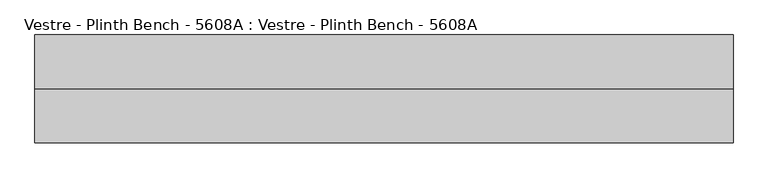
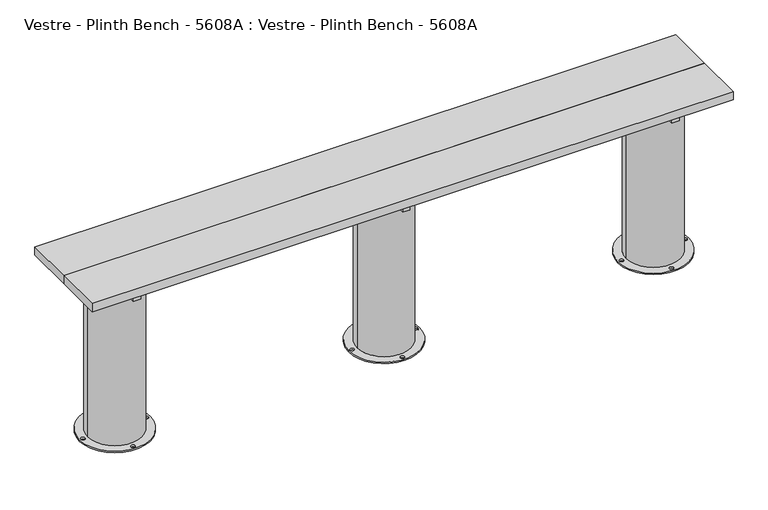
"""IFC4 building model written with IfcOpenShell, lengths in millimetres: furniture geometry, Vestre - Plinth Bench - 5608A : Vestre - Plinth Bench - 5608A."""

from ifc_helpers import new_model, si_unit, frame, origin, place, context, project, spatial, polyline, circle_curve, outline, extrude, source, transform, mapped, element, save
from ifc_brep_helpers import plane_surface, cylinder_surface, revolved_surface, advanced_brep


def vestre_plinth_bench_5608a_vestre_plinth_bench_5608a_dd21d8d7(model_context):
    return source(origin(), model_context, "Body", "SolidModel", [
        extrude(outline(polyline([(1310.5005464, -17.4998463), (1310.5005464, -219.9999989), (-1310.5005464, -219.9999989), (-1310.5005464, -17.4998463), (1310.5005464, -17.4998463)])), frame((0.0, 0.0, 704.9999847), z_axis=(0.0, 0.0, 1.0), x_axis=(1.0, 0.0, 0.0)), (0.0, 0.0, 1.0), 35.0000153),
        extrude(outline(polyline([(-1085.9800473, -378.0001515), (-1115.9983608, -378.0001515), (-1115.9983608, -62.0001515), (-1085.9800473, -62.0001515), (-1085.9800473, -378.0001515)])), frame((0.0, 0.0, 654.9999847), z_axis=(0.0, 0.0, 1.0), x_axis=(1.0, 0.0, 0.0)), (0.0, 0.0, 1.0), 50.0),
        extrude(outline(polyline([(1116.0204991, -378.0001515), (1086.0021856, -378.0001515), (1086.0021856, -62.0001515), (1116.0204991, -62.0001515), (1116.0204991, -378.0001515)])), frame((0.0, 0.0, 654.9999847), z_axis=(0.0, 0.0, 1.0), x_axis=(1.0, 0.0, 0.0)), (0.0, 0.0, 1.0), 50.0),
        extrude(outline(polyline([(15.0204991, -378.0001515), (-14.9978144, -378.0001515), (-14.9978144, -62.0001515), (15.0204991, -62.0001515), (15.0204991, -378.0001515)])), frame((0.0, 0.0, 654.9999847), z_axis=(0.0, 0.0, 1.0), x_axis=(1.0, 0.0, 0.0)), (0.0, 0.0, 1.0), 50.0),
        extrude(outline(polyline([(1089.0011479, -202.4998463), (1089.0011479, -237.5001515), (-1089.0005464, -237.5001515), (-1089.0005464, -202.4998463), (1089.0011479, -202.4998463)])), frame((0.0, 0.0, 564.9999847), z_axis=(0.0, 0.0, 1.0), x_axis=(1.0, 0.0, 0.0)), (0.0, 0.0, 1.0), 90.0),
        extrude(outline(polyline([(1310.5005464, -219.9999989), (1310.5005464, -422.5001515), (-1310.5005464, -422.5001515), (-1310.5005464, -219.9999989), (1310.5005464, -219.9999989)])), frame((0.0, 0.0, 704.9999847), z_axis=(0.0, 0.0, 1.0), x_axis=(1.0, 0.0, 0.0)), (0.0, 0.0, 1.0), 35.0000153),
        advanced_brep(
        [(992.8249813, -237.5001515, 654.9999847), (1210.5868599, -219.9999989, 654.9999847), (992.8250143, -202.4996428, 654.9999847), (1089.0011479, -202.4996428, 654.9999847), (1089.0011479, -237.5001515, 654.9999847), (956.4726273, -219.9999989, 0.0), (1245.5328368, -219.9999989, 0.0), (963.0010928, -219.9999989, 0.0), (979.0010928, -219.9999989, 0.0), (1093.0010928, -90.0001458, 0.0), (1109.0010928, -90.0001458, 0.0), (1239.0043713, -219.9999989, 0.0), (1223.0043713, -219.9999989, 0.0), (1093.0010928, -349.9998521, 0.0), (1109.0010928, -349.9998521, 0.0), (1210.5868599, -219.9999989, 5.8600001), (992.8249813, -237.5001515, 564.9999847), (991.4186041, -219.9999989, 564.9999847), (991.4186041, -219.9999989, 5.8600001), (992.8250143, -202.4996428, 564.9999847), (956.4726273, -219.9999989, 5.8600001), (1245.5328368, -219.9999989, 5.8600001), (963.0010928, -219.9999989, 5.8600001), (979.0010928, -219.9999989, 5.8600001), (1093.0010928, -90.0001458, 5.8600001), (1109.0010928, -90.0001458, 5.8600001), (1239.0043713, -219.9999989, 5.8600001), (1223.0043713, -219.9999989, 5.8600001), (1093.0010928, -349.9998521, 5.8600001), (1109.0010928, -349.9998521, 5.8600001), (1089.0011479, -237.5001515, 564.9999847), (1089.0011479, -202.4996428, 564.9999847)],
        [
            (0, 1, circle_curve(frame((1101.002732, -219.9999989, 654.9999847), z_axis=(0.0, 0.0, 1.0), x_axis=(1.0, 0.0, 0.0)), 109.5841279)),
            (1, 2, circle_curve(frame((1101.002732, -219.9999989, 654.9999847), z_axis=(0.0, 0.0, 1.0), x_axis=(1.0, 0.0, 0.0)), 109.5841279)),
            (2, 3),
            (3, 4),
            (4, 0),
            (5, 6, circle_curve(frame((1101.002732, -219.9999989, 0.0), z_axis=(0.0, 0.0, -1.0), x_axis=(1.0, 0.0, 0.0)), 144.5301047)),
            (6, 5, circle_curve(frame((1101.002732, -219.9999989, 0.0), z_axis=(0.0, 0.0, -1.0), x_axis=(1.0, 0.0, 0.0)), 144.5301047)),
            (7, 8, circle_curve(frame((971.0010928, -219.9999989, 0.0), z_axis=(0.0, 0.0, 1.0), x_axis=(1.0, 0.0, 0.0)), 8.0)),
            (8, 7, circle_curve(frame((971.0010928, -219.9999989, 0.0), z_axis=(0.0, 0.0, 1.0), x_axis=(1.0, 0.0, 0.0)), 8.0)),
            (9, 10, circle_curve(frame((1101.0010928, -90.0001458, 0.0), z_axis=(0.0, 0.0, 1.0), x_axis=(1.0, 0.0, 0.0)), 8.0)),
            (10, 9, circle_curve(frame((1101.0010928, -90.0001458, 0.0), z_axis=(0.0, 0.0, 1.0), x_axis=(1.0, 0.0, 0.0)), 8.0)),
            (11, 12, circle_curve(frame((1231.0043713, -219.9999989, 0.0), z_axis=(0.0, 0.0, 1.0), x_axis=(-1.0, 0.0, 0.0)), 8.0)),
            (12, 11, circle_curve(frame((1231.0043713, -219.9999989, 0.0), z_axis=(0.0, 0.0, 1.0), x_axis=(-1.0, 0.0, 0.0)), 8.0)),
            (13, 14, circle_curve(frame((1101.0010928, -349.9998521, 0.0), z_axis=(0.0, 0.0, 1.0), x_axis=(1.0, 0.0, 0.0)), 8.0)),
            (14, 13, circle_curve(frame((1101.0010928, -349.9998521, 0.0), z_axis=(0.0, 0.0, 1.0), x_axis=(1.0, 0.0, 0.0)), 8.0)),
            (15, 1),
            (0, 16),
            (16, 17, circle_curve(frame((1101.002732, -219.9999989, 564.9999847), z_axis=(0.0, 0.0, -1.0), x_axis=(1.0, 0.0, 0.0)), 109.5841279)),
            (17, 18),
            (18, 15, circle_curve(frame((1101.002732, -219.9999989, 5.8600001), z_axis=(0.0, 0.0, 1.0), x_axis=(1.0, 0.0, 0.0)), 109.5841279)),
            (15, 18, circle_curve(frame((1101.002732, -219.9999989, 5.8600001), z_axis=(0.0, 0.0, 1.0), x_axis=(1.0, 0.0, 0.0)), 109.5841279)),
            (17, 19, circle_curve(frame((1101.002732, -219.9999989, 564.9999847), z_axis=(0.0, 0.0, -1.0), x_axis=(1.0, 0.0, 0.0)), 109.5841279)),
            (19, 2),
            (20, 21, circle_curve(frame((1101.002732, -219.9999989, 5.8600001), z_axis=(0.0, 0.0, 1.0), x_axis=(1.0, 0.0, 0.0)), 144.5301047)),
            (21, 20, circle_curve(frame((1101.002732, -219.9999989, 5.8600001), z_axis=(0.0, 0.0, 1.0), x_axis=(1.0, 0.0, 0.0)), 144.5301047)),
            (22, 23, circle_curve(frame((971.0010928, -219.9999989, 5.8600001), z_axis=(0.0, 0.0, -1.0), x_axis=(1.0, 0.0, 0.0)), 8.0)),
            (23, 22, circle_curve(frame((971.0010928, -219.9999989, 5.8600001), z_axis=(0.0, 0.0, -1.0), x_axis=(1.0, 0.0, 0.0)), 8.0)),
            (24, 25, circle_curve(frame((1101.0010928, -90.0001458, 5.8600001), z_axis=(0.0, 0.0, -1.0), x_axis=(1.0, 0.0, 0.0)), 8.0)),
            (25, 24, circle_curve(frame((1101.0010928, -90.0001458, 5.8600001), z_axis=(0.0, 0.0, -1.0), x_axis=(1.0, 0.0, 0.0)), 8.0)),
            (26, 27, circle_curve(frame((1231.0043713, -219.9999989, 5.8600001), z_axis=(0.0, 0.0, -1.0), x_axis=(-1.0, 0.0, 0.0)), 8.0)),
            (27, 26, circle_curve(frame((1231.0043713, -219.9999989, 5.8600001), z_axis=(0.0, 0.0, -1.0), x_axis=(-1.0, 0.0, 0.0)), 8.0)),
            (28, 29, circle_curve(frame((1101.0010928, -349.9998521, 5.8600001), z_axis=(0.0, 0.0, -1.0), x_axis=(1.0, 0.0, 0.0)), 8.0)),
            (29, 28, circle_curve(frame((1101.0010928, -349.9998521, 5.8600001), z_axis=(0.0, 0.0, -1.0), x_axis=(1.0, 0.0, 0.0)), 8.0)),
            (20, 5),
            (6, 21),
            (22, 7),
            (8, 23),
            (24, 9),
            (10, 25),
            (26, 11),
            (12, 27),
            (28, 13),
            (14, 29),
            (30, 31),
            (31, 19),
            (16, 30),
            (4, 30),
            (3, 31),
        ],
        [
            plane_surface(frame((1210.5868599, -219.9999989, 654.9999847), z_axis=(0.0, 0.0, 1.0), x_axis=(0.0, 1.0, 0.0))),
            plane_surface(frame((1210.5868599, -219.9999989, 0.0), z_axis=(0.0, 0.0, -1.0), x_axis=(0.0, -1.0, 0.0))),
            cylinder_surface(frame((1101.002732, -219.9999989, 0.0), z_axis=(0.0, 0.0, 1.0), x_axis=(1.0, 0.0, 0.0)), 109.5841279),
            plane_surface(frame((1245.5328368, -219.9999989, 5.8600001), z_axis=(0.0, 0.0, 1.0), x_axis=(0.0, 1.0, 0.0))),
            cylinder_surface(frame((1101.002732, -219.9999989, 0.0), z_axis=(0.0, 0.0, 1.0), x_axis=(1.0, 0.0, 0.0)), 144.5301047),
            revolved_surface(polyline([(979.0010928, -219.9999989, 0.0), (979.0010928, -219.9999989, 5.8600001)]), (971.0010928, -219.9999989, 0.0), (0.0, 0.0, -1.0)),
            revolved_surface(polyline([(1109.0010928, -90.0001458, 0.0), (1109.0010928, -90.0001458, 5.8600001)]), (1101.0010928, -90.0001458, 0.0), (0.0, 0.0, -1.0)),
            revolved_surface(polyline([(1223.0043713, -219.9999989, 0.0), (1223.0043713, -219.9999989, 5.8600001)]), (1231.0043713, -219.9999989, 0.0), (0.0, 0.0, -1.0)),
            revolved_surface(polyline([(1109.0010928, -349.9998521, 0.0), (1109.0010928, -349.9998521, 5.8600001)]), (1101.0010928, -349.9998521, 0.0), (0.0, 0.0, -1.0)),
            plane_surface(frame((929.1366784, -202.4996428, 564.9999847), z_axis=(0.0, 0.0, 1.0), x_axis=(0.0, 1.0, 0.0))),
            plane_surface(frame((929.1366784, -237.5001515, 654.9999835), z_axis=(0.0, 1.0, 0.0), x_axis=(0.0, 0.0, -1.0))),
            plane_surface(frame((1089.0011479, -237.5001515, 654.9999835), z_axis=(-1.0, 0.0, 0.0), x_axis=(0.0, 0.0, -1.0))),
            plane_surface(frame((1089.0011479, -202.4996428, 654.9999835), z_axis=(0.0, -1.0, 0.0), x_axis=(0.0, 0.0, -1.0))),
        ],
        [
            (0, [[1, 2, 3, 4, 5]]),
            (1, [[6, 7], [8, 9], [10, 11], [12, 13], [14, 15]]),
            (2, [[16, -1, 17, 18, 19, 20]]),
            (2, [[-16, 21, -19, 22, 23, -2]]),
            (3, [[24, 25], [-20, -21], [26, 27], [28, 29], [30, 31], [32, 33]]),
            (4, [[-24, 34, -7, 35]]),
            (4, [[-25, -35, -6, -34]]),
            (5, [[-26, 36, -9, 37]]),
            (5, [[-27, -37, -8, -36]]),
            (6, [[-28, 38, -11, 39]]),
            (6, [[-29, -39, -10, -38]]),
            (7, [[-30, 40, -13, 41]]),
            (7, [[-31, -41, -12, -40]]),
            (8, [[-32, 42, -15, 43]]),
            (8, [[-33, -43, -14, -42]]),
            (9, [[44, 45, -22, -18, 46]]),
            (10, [[47, -46, -17, -5]]),
            (11, [[-44, -47, -4, 48]]),
            (12, [[-48, -3, -23, -45]]),
        ],
    ),
        advanced_brep(
        [(-108.1750187, -237.5001515, 654.9999847), (108.1804827, -237.5001515, 654.9999847), (108.1804827, -202.4998463, 654.9999847), (-108.1750187, -202.4998463, 654.9999847), (-144.5273727, -219.9999989, 0.0), (144.5328368, -219.9999989, 0.0), (-137.9989072, -219.9999989, 0.0), (-121.9989072, -219.9999989, 0.0), (-7.9989072, -90.0001458, 0.0), (8.0010928, -90.0001458, 0.0), (138.0043713, -219.9999989, 0.0), (122.0043713, -219.9999989, 0.0), (-7.9989072, -349.9998521, 0.0), (8.0010928, -349.9998521, 0.0), (-109.5813959, -219.9999989, 5.8600001), (109.5868599, -219.9999989, 5.8600001), (109.5868599, -219.9999989, 564.9999847), (108.1804827, -237.5001515, 564.9999847), (-108.1750187, -237.5001515, 564.9999847), (-109.5813959, -219.9999989, 564.9999847), (-108.1750187, -202.4998463, 564.9999847), (108.1804827, -202.4998463, 564.9999847), (-144.5273727, -219.9999989, 5.8600001), (144.5328368, -219.9999989, 5.8600001), (-137.9989072, -219.9999989, 5.8600001), (-121.9989072, -219.9999989, 5.8600001), (-7.9989072, -90.0001458, 5.8600001), (8.0010928, -90.0001458, 5.8600001), (138.0043713, -219.9999989, 5.8600001), (122.0043713, -219.9999989, 5.8600001), (-7.9989072, -349.9998521, 5.8600001), (8.0010928, -349.9998521, 5.8600001)],
        [
            (0, 1, circle_curve(frame((0.002732, -219.9999989, 654.9999847), z_axis=(0.0, 0.0, 1.0), x_axis=(1.0, 0.0, 0.0)), 109.5841279)),
            (1, 0),
            (2, 3, circle_curve(frame((0.002732, -219.9999989, 654.9999847), z_axis=(0.0, 0.0, 1.0), x_axis=(1.0, 0.0, 0.0)), 109.5841279)),
            (3, 2),
            (4, 5, circle_curve(frame((0.002732, -219.9999989, 0.0), z_axis=(0.0, 0.0, -1.0), x_axis=(1.0, 0.0, 0.0)), 144.5301047)),
            (5, 4, circle_curve(frame((0.002732, -219.9999989, 0.0), z_axis=(0.0, 0.0, -1.0), x_axis=(1.0, 0.0, 0.0)), 144.5301047)),
            (6, 7, circle_curve(frame((-129.9989072, -219.9999989, 0.0), z_axis=(0.0, 0.0, 1.0), x_axis=(1.0, 0.0, 0.0)), 8.0)),
            (7, 6, circle_curve(frame((-129.9989072, -219.9999989, 0.0), z_axis=(0.0, 0.0, 1.0), x_axis=(1.0, 0.0, 0.0)), 8.0)),
            (8, 9, circle_curve(frame((0.0010928, -90.0001458, 0.0), z_axis=(0.0, 0.0, 1.0), x_axis=(1.0, 0.0, 0.0)), 8.0)),
            (9, 8, circle_curve(frame((0.0010928, -90.0001458, 0.0), z_axis=(0.0, 0.0, 1.0), x_axis=(1.0, 0.0, 0.0)), 8.0)),
            (10, 11, circle_curve(frame((130.0043713, -219.9999989, 0.0), z_axis=(0.0, 0.0, 1.0), x_axis=(-1.0, 0.0, 0.0)), 8.0)),
            (11, 10, circle_curve(frame((130.0043713, -219.9999989, 0.0), z_axis=(0.0, 0.0, 1.0), x_axis=(-1.0, 0.0, 0.0)), 8.0)),
            (12, 13, circle_curve(frame((0.0010928, -349.9998521, 0.0), z_axis=(0.0, 0.0, 1.0), x_axis=(1.0, 0.0, 0.0)), 8.0)),
            (13, 12, circle_curve(frame((0.0010928, -349.9998521, 0.0), z_axis=(0.0, 0.0, 1.0), x_axis=(1.0, 0.0, 0.0)), 8.0)),
            (14, 15, circle_curve(frame((0.002732, -219.9999989, 5.8600001), z_axis=(0.0, 0.0, 1.0), x_axis=(1.0, 0.0, 0.0)), 109.5841279)),
            (15, 16),
            (16, 17, circle_curve(frame((0.002732, -219.9999989, 564.9999847), z_axis=(0.0, 0.0, -1.0), x_axis=(1.0, 0.0, 0.0)), 109.5841279)),
            (17, 1),
            (0, 18),
            (18, 19, circle_curve(frame((0.002732, -219.9999989, 564.9999847), z_axis=(0.0, 0.0, -1.0), x_axis=(1.0, 0.0, 0.0)), 109.5841279)),
            (19, 14),
            (15, 14, circle_curve(frame((0.002732, -219.9999989, 5.8600001), z_axis=(0.0, 0.0, 1.0), x_axis=(1.0, 0.0, 0.0)), 109.5841279)),
            (19, 20, circle_curve(frame((0.002732, -219.9999989, 564.9999847), z_axis=(0.0, 0.0, -1.0), x_axis=(1.0, 0.0, 0.0)), 109.5841279)),
            (20, 3),
            (2, 21),
            (21, 16, circle_curve(frame((0.002732, -219.9999989, 564.9999847), z_axis=(0.0, 0.0, -1.0), x_axis=(1.0, 0.0, 0.0)), 109.5841279)),
            (22, 23, circle_curve(frame((0.002732, -219.9999989, 5.8600001), z_axis=(0.0, 0.0, 1.0), x_axis=(1.0, 0.0, 0.0)), 144.5301047)),
            (23, 22, circle_curve(frame((0.002732, -219.9999989, 5.8600001), z_axis=(0.0, 0.0, 1.0), x_axis=(1.0, 0.0, 0.0)), 144.5301047)),
            (24, 25, circle_curve(frame((-129.9989072, -219.9999989, 5.8600001), z_axis=(0.0, 0.0, -1.0), x_axis=(1.0, 0.0, 0.0)), 8.0)),
            (25, 24, circle_curve(frame((-129.9989072, -219.9999989, 5.8600001), z_axis=(0.0, 0.0, -1.0), x_axis=(1.0, 0.0, 0.0)), 8.0)),
            (26, 27, circle_curve(frame((0.0010928, -90.0001458, 5.8600001), z_axis=(0.0, 0.0, -1.0), x_axis=(1.0, 0.0, 0.0)), 8.0)),
            (27, 26, circle_curve(frame((0.0010928, -90.0001458, 5.8600001), z_axis=(0.0, 0.0, -1.0), x_axis=(1.0, 0.0, 0.0)), 8.0)),
            (28, 29, circle_curve(frame((130.0043713, -219.9999989, 5.8600001), z_axis=(0.0, 0.0, -1.0), x_axis=(-1.0, 0.0, 0.0)), 8.0)),
            (29, 28, circle_curve(frame((130.0043713, -219.9999989, 5.8600001), z_axis=(0.0, 0.0, -1.0), x_axis=(-1.0, 0.0, 0.0)), 8.0)),
            (30, 31, circle_curve(frame((0.0010928, -349.9998521, 5.8600001), z_axis=(0.0, 0.0, -1.0), x_axis=(1.0, 0.0, 0.0)), 8.0)),
            (31, 30, circle_curve(frame((0.0010928, -349.9998521, 5.8600001), z_axis=(0.0, 0.0, -1.0), x_axis=(1.0, 0.0, 0.0)), 8.0)),
            (22, 4),
            (5, 23),
            (24, 6),
            (7, 25),
            (26, 8),
            (9, 27),
            (28, 10),
            (11, 29),
            (30, 12),
            (13, 31),
            (21, 20),
            (18, 17),
        ],
        [
            plane_surface(frame((109.5868599, -219.9999989, 654.9999847), z_axis=(0.0, 0.0, 1.0), x_axis=(0.0, 1.0, 0.0))),
            plane_surface(frame((109.5868599, -219.9999989, 0.0), z_axis=(0.0, 0.0, -1.0), x_axis=(0.0, -1.0, 0.0))),
            cylinder_surface(frame((0.002732, -219.9999989, 0.0), z_axis=(0.0, 0.0, 1.0), x_axis=(1.0, 0.0, 0.0)), 109.5841279),
            plane_surface(frame((144.5328368, -219.9999989, 5.8600001), z_axis=(0.0, 0.0, 1.0), x_axis=(0.0, 1.0, 0.0))),
            cylinder_surface(frame((0.002732, -219.9999989, 0.0), z_axis=(0.0, 0.0, 1.0), x_axis=(1.0, 0.0, 0.0)), 144.5301047),
            revolved_surface(polyline([(-121.99890719999999, -219.9999989, 0.0), (-121.99890719999999, -219.9999989, 5.8600001)]), (-129.9989072, -219.9999989, 0.0), (0.0, 0.0, -1.0)),
            revolved_surface(polyline([(8.0010928, -90.0001458, 0.0), (8.0010928, -90.0001458, 5.8600001)]), (0.0010928, -90.0001458, 0.0), (0.0, 0.0, -1.0)),
            revolved_surface(polyline([(122.0043713, -219.9999989, 0.0), (122.0043713, -219.9999989, 5.8600001)]), (130.0043713, -219.9999989, 0.0), (0.0, 0.0, -1.0)),
            revolved_surface(polyline([(8.0010928, -349.9998521, 0.0), (8.0010928, -349.9998521, 5.8600001)]), (0.0010928, -349.9998521, 0.0), (0.0, 0.0, -1.0)),
            plane_surface(frame((-130.4989072, -202.4998463, 564.9999847), z_axis=(0.0, 0.0, 1.0), x_axis=(1.0, 0.0, 0.0))),
            plane_surface(frame((-130.4989072, -202.4998463, 654.9999847), z_axis=(0.0, -1.0, 0.0), x_axis=(1.0, 0.0, 0.0))),
            plane_surface(frame((-130.4989072, -237.5001515, 564.9999847), z_axis=(0.0, 1.0, 0.0), x_axis=(1.0, 0.0, 0.0))),
        ],
        [
            (0, [[1, 2]]),
            (0, [[3, 4]]),
            (1, [[5, 6], [7, 8], [9, 10], [11, 12], [13, 14]]),
            (2, [[15, 16, 17, 18, -1, 19, 20, 21]]),
            (2, [[22, -21, 23, 24, -3, 25, 26, -16]]),
            (3, [[27, 28], [-15, -22], [29, 30], [31, 32], [33, 34], [35, 36]]),
            (4, [[-27, 37, -6, 38]]),
            (4, [[-28, -38, -5, -37]]),
            (5, [[-29, 39, -8, 40]]),
            (5, [[-30, -40, -7, -39]]),
            (6, [[-31, 41, -10, 42]]),
            (6, [[-32, -42, -9, -41]]),
            (7, [[-33, 43, -12, 44]]),
            (7, [[-34, -44, -11, -43]]),
            (8, [[-35, 45, -14, 46]]),
            (8, [[-36, -46, -13, -45]]),
            (9, [[47, -23, -20, 48, -17, -26]]),
            (10, [[-47, -25, -4, -24]]),
            (11, [[-48, -19, -2, -18]]),
        ],
    ),
        advanced_brep(
        [(-1210.5819423, -219.9999989, 654.9999847), (-992.8200637, -237.5001515, 654.9999847), (-1088.9994536, -237.5001515, 654.9999847), (-1088.9994536, -202.4998463, 654.9999847), (-992.8200637, -202.4998463, 654.9999847), (-1245.5279191, -219.9999989, 0.0), (-956.4677096, -219.9999989, 0.0), (-1238.9994536, -219.9999989, 0.0), (-1222.9994536, -219.9999989, 0.0), (-1108.9994536, -90.0001458, 0.0), (-1092.9994536, -90.0001458, 0.0), (-962.9961752, -219.9999989, 0.0), (-978.9961752, -219.9999989, 0.0), (-1108.9994536, -349.9998521, 0.0), (-1092.9994536, -349.9998521, 0.0), (-1210.5819423, -219.9999989, 5.8600001), (-991.4136865, -219.9999989, 5.8600001), (-991.4136865, -219.9999989, 564.9999847), (-992.8200637, -237.5001515, 564.9999847), (-992.8200637, -202.4998463, 564.9999847), (-1245.5279191, -219.9999989, 5.8600001), (-956.4677096, -219.9999989, 5.8600001), (-1238.9994536, -219.9999989, 5.8600001), (-1222.9994536, -219.9999989, 5.8600001), (-1108.9994536, -90.0001458, 5.8600001), (-1092.9994536, -90.0001458, 5.8600001), (-962.9961752, -219.9999989, 5.8600001), (-978.9961752, -219.9999989, 5.8600001), (-1108.9994536, -349.9998521, 5.8600001), (-1092.9994536, -349.9998521, 5.8600001), (-1088.9994536, -237.5001515, 564.9999847), (-1088.9994536, -202.4998463, 564.9999847)],
        [
            (0, 1, circle_curve(frame((-1100.9978144, -219.9999989, 654.9999847), z_axis=(0.0, 0.0, 1.0), x_axis=(1.0, 0.0, 0.0)), 109.5841279)),
            (1, 2),
            (2, 3),
            (3, 4),
            (4, 0, circle_curve(frame((-1100.9978144, -219.9999989, 654.9999847), z_axis=(0.0, 0.0, 1.0), x_axis=(1.0, 0.0, 0.0)), 109.5841279)),
            (5, 6, circle_curve(frame((-1100.9978144, -219.9999989, 0.0), z_axis=(0.0, 0.0, -1.0), x_axis=(1.0, 0.0, 0.0)), 144.5301047)),
            (6, 5, circle_curve(frame((-1100.9978144, -219.9999989, 0.0), z_axis=(0.0, 0.0, -1.0), x_axis=(1.0, 0.0, 0.0)), 144.5301047)),
            (7, 8, circle_curve(frame((-1230.9994536, -219.9999989, 0.0), z_axis=(0.0, 0.0, 1.0), x_axis=(1.0, 0.0, 0.0)), 8.0)),
            (8, 7, circle_curve(frame((-1230.9994536, -219.9999989, 0.0), z_axis=(0.0, 0.0, 1.0), x_axis=(1.0, 0.0, 0.0)), 8.0)),
            (9, 10, circle_curve(frame((-1100.9994536, -90.0001458, 0.0), z_axis=(0.0, 0.0, 1.0), x_axis=(1.0, 0.0, 0.0)), 8.0)),
            (10, 9, circle_curve(frame((-1100.9994536, -90.0001458, 0.0), z_axis=(0.0, 0.0, 1.0), x_axis=(1.0, 0.0, 0.0)), 8.0)),
            (11, 12, circle_curve(frame((-970.9961752, -219.9999989, 0.0), z_axis=(0.0, 0.0, 1.0), x_axis=(-1.0, 0.0, 0.0)), 8.0)),
            (12, 11, circle_curve(frame((-970.9961752, -219.9999989, 0.0), z_axis=(0.0, 0.0, 1.0), x_axis=(-1.0, 0.0, 0.0)), 8.0)),
            (13, 14, circle_curve(frame((-1100.9994536, -349.9998521, 0.0), z_axis=(0.0, 0.0, 1.0), x_axis=(1.0, 0.0, 0.0)), 8.0)),
            (14, 13, circle_curve(frame((-1100.9994536, -349.9998521, 0.0), z_axis=(0.0, 0.0, 1.0), x_axis=(1.0, 0.0, 0.0)), 8.0)),
            (0, 15),
            (15, 16, circle_curve(frame((-1100.9978144, -219.9999989, 5.8600001), z_axis=(0.0, 0.0, 1.0), x_axis=(1.0, 0.0, 0.0)), 109.5841279)),
            (16, 17),
            (17, 18, circle_curve(frame((-1100.9978144, -219.9999989, 564.9999847), z_axis=(0.0, 0.0, -1.0), x_axis=(1.0, 0.0, 0.0)), 109.5841279)),
            (18, 1),
            (4, 19),
            (19, 17, circle_curve(frame((-1100.9978144, -219.9999989, 564.9999847), z_axis=(0.0, 0.0, -1.0), x_axis=(1.0, 0.0, 0.0)), 109.5841279)),
            (16, 15, circle_curve(frame((-1100.9978144, -219.9999989, 5.8600001), z_axis=(0.0, 0.0, 1.0), x_axis=(1.0, 0.0, 0.0)), 109.5841279)),
            (20, 21, circle_curve(frame((-1100.9978144, -219.9999989, 5.8600001), z_axis=(0.0, 0.0, 1.0), x_axis=(1.0, 0.0, 0.0)), 144.5301047)),
            (21, 20, circle_curve(frame((-1100.9978144, -219.9999989, 5.8600001), z_axis=(0.0, 0.0, 1.0), x_axis=(1.0, 0.0, 0.0)), 144.5301047)),
            (22, 23, circle_curve(frame((-1230.9994536, -219.9999989, 5.8600001), z_axis=(0.0, 0.0, -1.0), x_axis=(1.0, 0.0, 0.0)), 8.0)),
            (23, 22, circle_curve(frame((-1230.9994536, -219.9999989, 5.8600001), z_axis=(0.0, 0.0, -1.0), x_axis=(1.0, 0.0, 0.0)), 8.0)),
            (24, 25, circle_curve(frame((-1100.9994536, -90.0001458, 5.8600001), z_axis=(0.0, 0.0, -1.0), x_axis=(1.0, 0.0, 0.0)), 8.0)),
            (25, 24, circle_curve(frame((-1100.9994536, -90.0001458, 5.8600001), z_axis=(0.0, 0.0, -1.0), x_axis=(1.0, 0.0, 0.0)), 8.0)),
            (26, 27, circle_curve(frame((-970.9961752, -219.9999989, 5.8600001), z_axis=(0.0, 0.0, -1.0), x_axis=(-1.0, 0.0, 0.0)), 8.0)),
            (27, 26, circle_curve(frame((-970.9961752, -219.9999989, 5.8600001), z_axis=(0.0, 0.0, -1.0), x_axis=(-1.0, 0.0, 0.0)), 8.0)),
            (28, 29, circle_curve(frame((-1100.9994536, -349.9998521, 5.8600001), z_axis=(0.0, 0.0, -1.0), x_axis=(1.0, 0.0, 0.0)), 8.0)),
            (29, 28, circle_curve(frame((-1100.9994536, -349.9998521, 5.8600001), z_axis=(0.0, 0.0, -1.0), x_axis=(1.0, 0.0, 0.0)), 8.0)),
            (20, 5),
            (6, 21),
            (22, 7),
            (8, 23),
            (24, 9),
            (10, 25),
            (26, 11),
            (12, 27),
            (28, 13),
            (14, 29),
            (30, 31),
            (31, 3),
            (2, 30),
            (30, 18),
            (19, 31),
        ],
        [
            plane_surface(frame((-991.4136865, -219.9999989, 654.9999847), z_axis=(0.0, 0.0, 1.0), x_axis=(0.0, 1.0, 0.0))),
            plane_surface(frame((-991.4136865, -219.9999989, 0.0), z_axis=(0.0, 0.0, -1.0), x_axis=(0.0, -1.0, 0.0))),
            cylinder_surface(frame((-1100.9978144, -219.9999989, 0.0), z_axis=(0.0, 0.0, 1.0), x_axis=(1.0, 0.0, 0.0)), 109.5841279),
            plane_surface(frame((-956.4677096, -219.9999989, 5.8600001), z_axis=(0.0, 0.0, 1.0), x_axis=(0.0, 1.0, 0.0))),
            cylinder_surface(frame((-1100.9978144, -219.9999989, 0.0), z_axis=(0.0, 0.0, 1.0), x_axis=(1.0, 0.0, 0.0)), 144.5301047),
            revolved_surface(polyline([(-1222.9994536, -219.9999989, 0.0), (-1222.9994536, -219.9999989, 5.8600001)]), (-1230.9994536, -219.9999989, 0.0), (0.0, 0.0, -1.0)),
            revolved_surface(polyline([(-1092.9994536, -90.0001458, 0.0), (-1092.9994536, -90.0001458, 5.8600001)]), (-1100.9994536, -90.0001458, 0.0), (0.0, 0.0, -1.0)),
            revolved_surface(polyline([(-978.9961752, -219.9999989, 0.0), (-978.9961752, -219.9999989, 5.8600001)]), (-970.9961752, -219.9999989, 0.0), (0.0, 0.0, -1.0)),
            revolved_surface(polyline([(-1092.9994536, -349.9998521, 0.0), (-1092.9994536, -349.9998521, 5.8600001)]), (-1100.9994536, -349.9998521, 0.0), (0.0, 0.0, -1.0)),
            plane_surface(frame((-1088.9994536, -202.4998463, 564.9999847), z_axis=(1.0, 0.0, 0.0), x_axis=(0.0, -1.0, 0.0))),
            plane_surface(frame((-970.4989072, -237.5001515, 564.9999847), z_axis=(0.0, 0.0, 1.0), x_axis=(-1.0, 0.0, 0.0))),
            plane_surface(frame((-970.4989072, -202.4998463, 564.9999847), z_axis=(0.0, -1.0, 0.0), x_axis=(-1.0, 0.0, 0.0))),
            plane_surface(frame((-970.4989072, -237.5001515, 654.9999847), z_axis=(0.0, 1.0, 0.0), x_axis=(-1.0, 0.0, 0.0))),
        ],
        [
            (0, [[1, 2, 3, 4, 5]]),
            (1, [[6, 7], [8, 9], [10, 11], [12, 13], [14, 15]]),
            (2, [[16, 17, 18, 19, 20, -1]]),
            (2, [[-16, -5, 21, 22, -18, 23]]),
            (3, [[24, 25], [-17, -23], [26, 27], [28, 29], [30, 31], [32, 33]]),
            (4, [[-24, 34, -7, 35]]),
            (4, [[-25, -35, -6, -34]]),
            (5, [[-26, 36, -9, 37]]),
            (5, [[-27, -37, -8, -36]]),
            (6, [[-28, 38, -11, 39]]),
            (6, [[-29, -39, -10, -38]]),
            (7, [[-30, 40, -13, 41]]),
            (7, [[-31, -41, -12, -40]]),
            (8, [[-32, 42, -15, 43]]),
            (8, [[-33, -43, -14, -42]]),
            (9, [[44, 45, -3, 46]]),
            (10, [[-44, 47, -19, -22, 48]]),
            (11, [[-45, -48, -21, -4]]),
            (12, [[-46, -2, -20, -47]]),
        ],
    ),
    ])


if __name__ == "__main__":
    model = new_model("IFC4")
    model_context = context("Model", 3, world=origin())
    ifc_project = project(units=[si_unit("LENGTHUNIT", "METRE", prefix="MILLI")], contexts=[model_context])
    site = spatial("IfcSite", under=ifc_project)
    building = spatial("IfcBuilding", under=site)
    placement = place(None, origin())
    vestre_plinth_bench_5608a_vestre_plinth_bench_5608a_shape = vestre_plinth_bench_5608a_vestre_plinth_bench_5608a_dd21d8d7(model_context)
    element("IfcFurniture", 1, ObjectType="Vestre - Plinth Bench - 5608A : Vestre - Plinth Bench - 5608A", at=placement, inside=building, context=model_context, shape_type="MappedRepresentation", body=[
        mapped(vestre_plinth_bench_5608a_vestre_plinth_bench_5608a_shape, transform((0.0, 0.0, 0.0), x_axis=(1.0, 0.0, 0.0), y_axis=(0.0, 1.0, 0.0), z_axis=(0.0, 0.0, 1.0))),
    ])
    save(model, "model.ifc")
